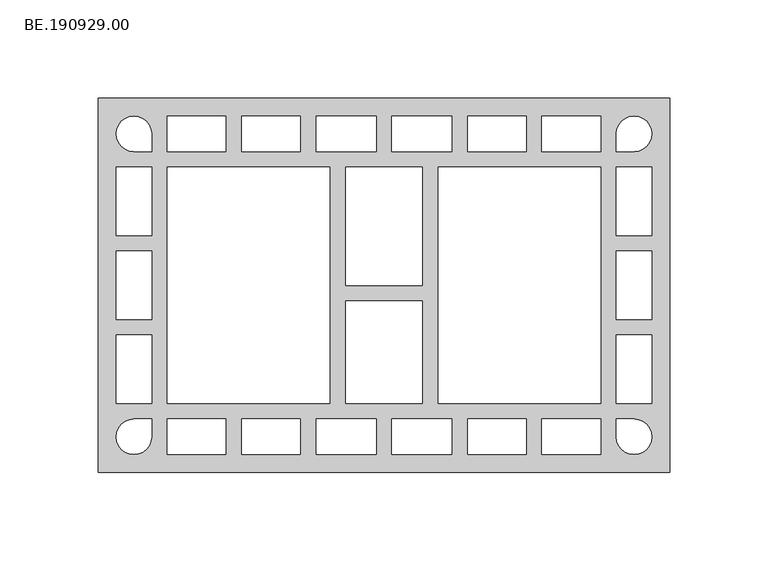
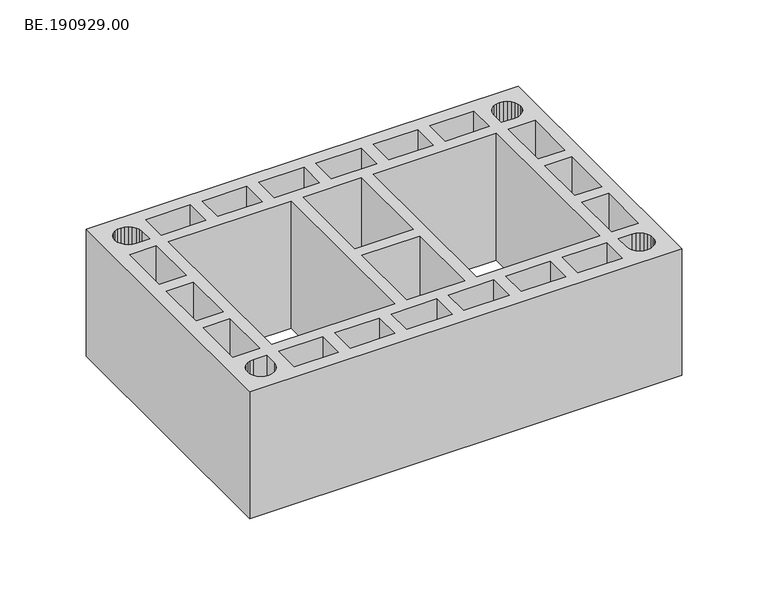
"""IFC4 building model written with IfcOpenShell, lengths in millimetres: proxy geometry, BE.190929.00."""

from ifc_helpers import new_model, si_unit, origin, origin_with_axes, place, context, project, spatial, polyline, outline, extrude, source, transform, mapped, element, save


def be_190929_00_246c1f9c(model_context):
    return source(origin(), model_context, "Body", "SweptSolid", [
        extrude(outline(polyline([(295.0, 95.0050293), (295.0, -95.0050293), (5.0, -95.0050293), (5.0, 95.0050293), (295.0, 95.0050293)]), holes=[polyline([(29.352002, 83.3592285), (27.4916504, 84.7916992), (25.3150391, 85.7032715), (22.9895996, 86.0009277), (20.6641602, 85.7032715), (18.4875488, 84.7916992), (16.6271973, 83.3592285), (15.1947266, 81.498877), (14.3017578, 79.3408691), (13.985498, 76.9968262), (14.3017578, 74.6713867), (15.1947266, 72.4947754), (16.6271973, 70.6344238), (18.4875488, 69.2019531), (20.6641602, 68.3089844), (22.9895996, 68.0113281), (31.9937012, 68.0113281), (31.9937012, 76.9968262), (31.6774414, 79.3408691), (30.7844727, 81.498877), (29.352002, 83.3592285)]), polyline([(69.7402344, 86.0009277), (39.9932129, 86.0009277), (39.9932129, 68.0113281), (69.7402344, 68.0113281), (69.7402344, 86.0009277)]), polyline([(107.4867676, 86.0009277), (77.7397461, 86.0009277), (77.7397461, 68.0113281), (107.4867676, 68.0113281), (107.4867676, 86.0009277)]), polyline([(145.9960449, 86.0009277), (115.4862793, 86.0009277), (115.4862793, 68.0051514), (145.9960449, 68.0051514), (145.9960449, 86.0009277)]), polyline([(184.4867188, 68.0051514), (184.4867188, 86.0009277), (153.9955566, 86.0009277), (153.9955566, 68.0051514), (184.4867188, 68.0051514)]), polyline([(192.4862305, 86.0009277), (192.4862305, 68.0113281), (222.233252, 68.0113281), (222.233252, 86.0009277), (192.4862305, 86.0009277)]), polyline([(259.9983887, 86.0009277), (230.2327637, 86.0009277), (230.2327637, 68.0113281), (259.9983887, 68.0113281), (259.9983887, 86.0009277)]), polyline([(269.1885254, 81.498877), (268.2955566, 79.3408691), (267.9979004, 76.9968262), (267.9979004, 68.0113281), (276.9833984, 68.0113281), (279.3274414, 68.3089844), (281.4854492, 69.2019531), (283.3458008, 70.6344238), (284.7782715, 72.4947754), (285.6898438, 74.6713867), (285.9875, 76.9968262), (285.6898438, 79.3408691), (284.7782715, 81.498877), (283.3458008, 83.3592285), (281.4854492, 84.7916992), (279.3274414, 85.7032715), (276.9833984, 86.0009277), (274.657959, 85.7032715), (272.4999512, 84.7916992), (270.6209961, 83.3592285), (269.1885254, 81.498877)]), polyline([(122.4998047, 60.0056396), (39.9932129, 60.0056396), (39.9932129, -59.9870361), (122.4998047, -59.9870361), (122.4998047, 60.0056396)]), polyline([(259.9983887, 60.0056396), (177.5010986, 60.0056396), (177.5010986, -59.9870361), (259.9983887, -59.9870361), (259.9983887, 60.0056396)]), polyline([(29.352002, -83.3592285), (30.7844727, -81.498877), (31.6774414, -79.3408691), (31.9937012, -76.9968262), (31.9937012, -68.0113281), (22.9895996, -68.0113281), (20.6641602, -68.3089844), (18.4875488, -69.2019531), (16.6271973, -70.6344238), (15.1947266, -72.4947754), (14.3017578, -74.6713867), (13.985498, -76.9968262), (14.3017578, -79.3408691), (15.1947266, -81.498877), (16.6271973, -83.3592285), (18.4875488, -84.7916992), (20.6641602, -85.7032715), (22.9895996, -86.0009277), (25.3150391, -85.7032715), (27.4916504, -84.7916992), (29.352002, -83.3592285)]), polyline([(69.7402344, -86.0009277), (69.7402344, -68.0113281), (39.9932129, -68.0113281), (39.9932129, -86.0009277), (69.7402344, -86.0009277)]), polyline([(107.4867676, -86.0009277), (107.4867676, -68.0113281), (77.7397461, -68.0113281), (77.7397461, -86.0009277), (107.4867676, -86.0009277)]), polyline([(145.9960449, -86.0009277), (145.9960449, -67.9865479), (115.4862793, -67.9865479), (115.4862793, -86.0009277), (145.9960449, -86.0009277)]), polyline([(184.4867188, -67.9865479), (153.9955566, -67.9865479), (153.9955566, -86.0009277), (184.4867188, -86.0009277), (184.4867188, -67.9865479)]), polyline([(192.4862305, -86.0009277), (222.233252, -86.0009277), (222.233252, -68.0113281), (192.4862305, -68.0113281), (192.4862305, -86.0009277)]), polyline([(259.9983887, -86.0009277), (259.9983887, -68.0113281), (230.2327637, -68.0113281), (230.2327637, -86.0009277), (259.9983887, -86.0009277)]), polyline([(269.1885254, -81.498877), (270.6209961, -83.3592285), (272.4999512, -84.7916992), (274.657959, -85.7032715), (276.9833984, -86.0009277), (279.3274414, -85.7032715), (281.4854492, -84.7916992), (283.3458008, -83.3592285), (284.7782715, -81.498877), (285.6898438, -79.3408691), (285.9875, -76.9968262), (285.6898438, -74.6713867), (284.7782715, -72.4947754), (283.3458008, -70.6344238), (281.4854492, -69.2019531), (279.3274414, -68.3089844), (276.9833984, -68.0113281), (267.9979004, -68.0113281), (267.9979004, -76.9968262), (268.2955566, -79.3408691), (269.1885254, -81.498877)]), polyline([(32.0020996, 60.0056396), (14.0125, 60.0056396), (14.0125, 25.34729), (32.0020996, 25.34729), (32.0020996, 60.0056396)]), polyline([(32.0020996, -17.3291748), (32.0020996, 17.3477783), (14.0125, 17.3477783), (14.0125, -17.3291748), (32.0020996, -17.3291748)]), polyline([(32.0020996, -59.9870361), (32.0020996, -25.3286865), (14.0125, -25.3286865), (14.0125, -59.9870361), (32.0020996, -59.9870361)]), polyline([(267.9979004, 60.0056396), (267.9979004, 25.34729), (285.9875, 25.34729), (285.9875, 60.0056396), (267.9979004, 60.0056396)]), polyline([(267.9979004, -17.3291748), (285.9875, -17.3291748), (285.9875, 17.3477783), (267.9979004, 17.3477783), (267.9979004, -17.3291748)]), polyline([(267.9979004, -59.9870361), (285.9875, -59.9870361), (285.9875, -25.3286865), (267.9979004, -25.3286865), (267.9979004, -59.9870361)]), polyline([(130.4993164, 60.0056396), (130.4993164, 0.0), (169.5015869, 0.0), (169.5015869, 60.0056396), (130.4993164, 60.0056396)]), polyline([(130.4993164, -7.99021), (130.4993164, -59.9870361), (169.5015869, -59.9870361), (169.5015869, -7.99021), (130.4993164, -7.99021)])]), origin_with_axes(), (0.0, 0.0, 1.0), 90.0),
    ])


if __name__ == "__main__":
    model = new_model("IFC4")
    model_context = context("Model", 3, world=origin())
    ifc_project = project(units=[si_unit("LENGTHUNIT", "METRE", prefix="MILLI")], contexts=[model_context])
    site = spatial("IfcSite", under=ifc_project)
    building = spatial("IfcBuilding", under=site)
    placement = place(None, origin())
    be_190929_00_shape = be_190929_00_246c1f9c(model_context)
    element("IfcBuildingElementProxy", 1, Name="BE.190929.00", ObjectType="BE.190929.00", at=placement, inside=building, context=model_context, shape_type="MappedRepresentation", body=[
        mapped(be_190929_00_shape, transform((0.0, 0.0, 0.0), x_axis=(1.0, 0.0, 0.0), y_axis=(0.0, 1.0, 0.0), z_axis=(0.0, 0.0, 1.0))),
    ])
    save(model, "model.ifc")
